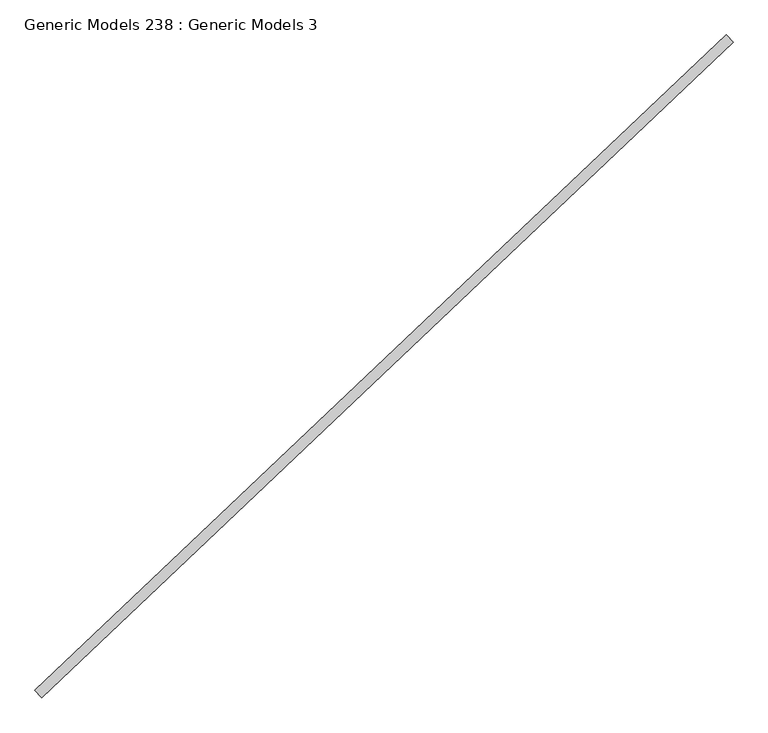
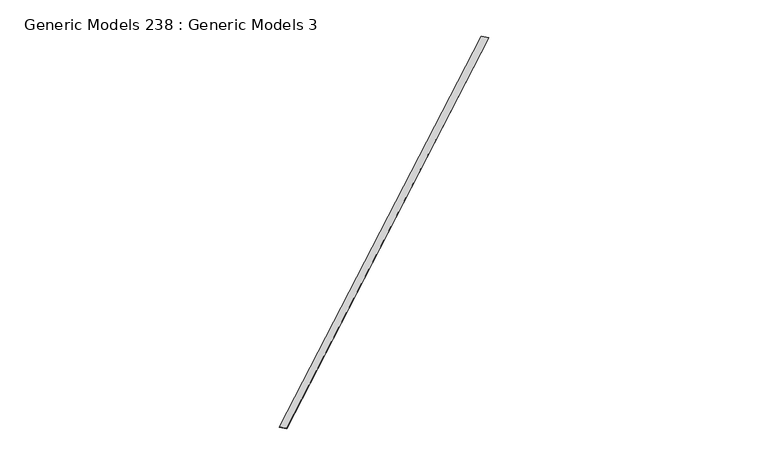
"""IFC4 building model written with IfcOpenShell, lengths in millimetres: proxy geometry, Generic Models 238 : Generic Models 3."""

import ifcopenshell
import ifcopenshell.guid

model = None  # the IFC model being written
_history = None  # IfcOwnerHistory: only IFC2X3 demands one
_inside = {}  # id of a spatial element -> (the spatial element, [elements in it])
_under = {}  # id of a project, library or spatial element -> (it, [spatial elements below it])
_declared = {}  # id of a project -> (the project, [libraries it declares])
_typed = {}  # id of a type object -> (the type object, [elements of that type])
_made_of = {}  # id of a material, layer set ... -> (it, [elements and type objects made of it])


def new_model(schema):
    """Start an empty IFC model of exactly this schema.

    Asked for "IFC4X3", IfcOpenShell would pick the latest addendum, in which some entities
    have other attributes; the version numbers below select the first issue.
    IFC2X3 requires an IfcOwnerHistory on every rooted entity: one is made here for all.
    """
    global model, _history
    if schema == "IFC4X3":
        model = ifcopenshell.file(schema_version=(4, 3, 0, 0))
    else:
        model = ifcopenshell.file(schema=schema)
    _inside.clear()
    _under.clear()
    _declared.clear()
    _typed.clear()
    _made_of.clear()
    _history = None
    if model.schema == "IFC2X3":
        org = make("IfcOrganization", Name="unknown")
        user = make(
            "IfcPersonAndOrganization",
            ThePerson=make("IfcPerson", FamilyName="unknown"),
            TheOrganization=org,
        )
        app = make(
            "IfcApplication",
            ApplicationDeveloper=org,
            Version="unknown",
            ApplicationFullName="unknown",
            ApplicationIdentifier="unknown",
        )
        _history = make(
            "IfcOwnerHistory",
            OwningUser=user,
            OwningApplication=app,
            ChangeAction="ADDED",
            CreationDate=0,
        )
    return model


def make(cls, **values):
    """One entity of the class cls with the attributes given. An attribute that is None is left unset."""
    return model.create_entity(
        cls, **{name: value for name, value in values.items() if value is not None}
    )


def rooted(cls, **values):
    """An entity with a GlobalId (a new one), such as an element, a storey or a relation."""
    return make(cls, GlobalId=ifcopenshell.guid.new(), OwnerHistory=_history, **values)


def si_unit(unit_type, name, prefix=None):
    """IfcSIUnit, for example si_unit("LENGTHUNIT", "METRE", prefix="MILLI")."""
    return make("IfcSIUnit", UnitType=unit_type, Prefix=prefix, Name=name)


def assignment(units):
    """IfcUnitAssignment: the units of a project."""
    return None if units is None else make("IfcUnitAssignment", Units=units)


def point(xyz):
    """IfcCartesianPoint."""
    return None if xyz is None else make("IfcCartesianPoint", Coordinates=xyz)


def direction(xyz):
    """IfcDirection."""
    return None if xyz is None else make("IfcDirection", DirectionRatios=xyz)


def frame(location, z_axis=None, x_axis=None):
    """IfcAxis2Placement3D, a coordinate frame: its origin and axes. An axis left out is left unset."""
    return make(
        "IfcAxis2Placement3D",
        Location=point(location),
        Axis=direction(z_axis),
        RefDirection=direction(x_axis),
    )


def origin():
    """The frame at (0, 0, 0) with its axes left unset."""
    return frame((0.0, 0.0, 0.0))


def place(relative_to, where):
    """IfcLocalPlacement: puts the frame where relative to a parent placement (None: the world)."""
    return make(
        "IfcLocalPlacement", PlacementRelTo=relative_to, RelativePlacement=where
    )


def context(
    kind, dimensions, precision=None, world=None, true_north=None, identifier=None
):
    """IfcGeometricRepresentationContext, for example the 3D "Model" context."""
    return make(
        "IfcGeometricRepresentationContext",
        ContextIdentifier=identifier,
        ContextType=kind,
        CoordinateSpaceDimension=dimensions,
        Precision=precision,
        WorldCoordinateSystem=world,
        TrueNorth=true_north,
    )


def project(units=None, contexts=None):
    """IfcProject with its units and contexts."""
    return rooted(
        "IfcProject",
        Name="project",
        RepresentationContexts=contexts,
        UnitsInContext=assignment(units),
    )


def spatial(cls, under=None, at=None, **own):
    """A site, building, storey or space (cls), placed at a placement, below another one or the project."""
    s = rooted(cls, ObjectPlacement=at, **own)
    if under is not None:
        _under.setdefault(under.id(), (under, []))[1].append(s)
    return s


def polyline(points):
    """IfcPolyline through the points."""
    return make("IfcPolyline", Points=[point(p) for p in points])


def outline(outer, holes=None, kind="AREA"):
    """IfcArbitraryClosedProfileDef: a profile drawn as a closed curve; with holes, ...WithVoids."""
    if holes is None:
        return make("IfcArbitraryClosedProfileDef", ProfileType=kind, OuterCurve=outer)
    return make(
        "IfcArbitraryProfileDefWithVoids",
        ProfileType=kind,
        OuterCurve=outer,
        InnerCurves=holes,
    )


def extrude(swept, where, along, depth):
    """IfcExtrudedAreaSolid: the profile swept, set in the frame where, extruded along a direction by depth."""
    return make(
        "IfcExtrudedAreaSolid",
        SweptArea=swept,
        Position=where,
        ExtrudedDirection=direction(along),
        Depth=depth,
    )


def shape(context_of_items, identifier, shape_type, items):
    """IfcShapeRepresentation: the items that make up one representation, for example the "Body"."""
    return make(
        "IfcShapeRepresentation",
        ContextOfItems=context_of_items,
        RepresentationIdentifier=identifier,
        RepresentationType=shape_type,
        Items=items,
    )


def source(mapping_origin, context_of_items, identifier, shape_type, items):
    """IfcRepresentationMap: a shape defined once, which mapped items show again and again."""
    return make(
        "IfcRepresentationMap",
        MappingOrigin=mapping_origin,
        MappedRepresentation=shape(context_of_items, identifier, shape_type, items),
    )


def transform(
    local_origin,
    x_axis=None,
    y_axis=None,
    z_axis=None,
    scale=None,
    scale2=None,
    scale3=None,
    uniform=True,
):
    """IfcCartesianTransformationOperator3D, or its non-uniform kind. x_axis, y_axis, z_axis: its Axis1, 2, 3."""
    if uniform:
        return make(
            "IfcCartesianTransformationOperator3D",
            Axis1=direction(x_axis),
            Axis2=direction(y_axis),
            LocalOrigin=point(local_origin),
            Scale=scale,
            Axis3=direction(z_axis),
        )
    return make(
        "IfcCartesianTransformationOperator3DnonUniform",
        Axis1=direction(x_axis),
        Axis2=direction(y_axis),
        LocalOrigin=point(local_origin),
        Scale=scale,
        Axis3=direction(z_axis),
        Scale2=scale2,
        Scale3=scale3,
    )


def mapped(mapping_source, mapping_target):
    """IfcMappedItem: shows the shape of a source again, moved by a transform."""
    return make(
        "IfcMappedItem", MappingSource=mapping_source, MappingTarget=mapping_target
    )


def made_of(thing, what):
    """Note that an element or type object is made of a material, layer set ...; save() writes the relation."""
    if what is not None:
        _made_of.setdefault(what.id(), (what, []))[1].append(thing)
    return thing


def element(
    cls,
    number,
    at=None,
    inside=None,
    cuts=None,
    type_object=None,
    material=None,
    context=None,
    identifier="Body",
    shape_type=None,
    held_by="IfcProductDefinitionShape",
    body=None,
    shapes=None,
    **own,
):
    """One element of the class cls, such as IfcWall. Its Tag is "e" and its number.

    at: its placement. inside: the storey or other place that contains it. cuts: it is an
    opening in that element (IfcRelVoidsElement). A single representation is given by context,
    identifier, shape_type and body (its items); several are given by shapes. held_by: the class
    of the entity that holds the representations. save() writes the other relations.
    """
    e = rooted(cls, Tag="e%d" % number, ObjectPlacement=at, **own)
    if body is not None:
        shapes = [shape(context, identifier, shape_type, body)]
    if shapes is not None:
        e.Representation = make(held_by, Representations=shapes)
    if inside is not None:
        _inside.setdefault(inside.id(), (inside, []))[1].append(e)
    if cuts is not None:
        rooted(
            "IfcRelVoidsElement", RelatingBuildingElement=cuts, RelatedOpeningElement=e
        )
    if type_object is not None:
        _typed.setdefault(type_object.id(), (type_object, []))[1].append(e)
    return made_of(e, material)


def aggregate(whole, parts):
    """IfcRelAggregates: a whole, such as a stair, and the parts it consists of."""
    return rooted("IfcRelAggregates", RelatingObject=whole, RelatedObjects=parts)


def save(model, path):
    """Write the relations noted so far, then the file.

    IfcRelAggregates (storeys below a building ...), IfcRelContainedInSpatialStructure (elements
    in a storey), IfcRelDefinesByType, IfcRelAssociatesMaterial and IfcRelDeclares: one each for
    every whole, place, type object, material and project.
    """
    for whole, parts in _under.values():
        aggregate(whole, parts)
    for where, things in _inside.values():
        rooted(
            "IfcRelContainedInSpatialStructure",
            RelatedElements=things,
            RelatingStructure=where,
        )
    for kind, things in _typed.values():
        rooted("IfcRelDefinesByType", RelatedObjects=things, RelatingType=kind)
    for what, things in _made_of.values():
        rooted("IfcRelAssociatesMaterial", RelatedObjects=things, RelatingMaterial=what)
    for by, libraries in _declared.values():
        rooted("IfcRelDeclares", RelatingContext=by, RelatedDefinitions=libraries)
    model.write(path)


def generic_models_238_generic_models_3_db5c4f58(model_context):
    return source(origin(), model_context, "Body", "SweptSolid", [
        extrude(outline(polyline([(109781.9317656, 47484.1032048), (109848.8015247, 47413.6371816), (103146.8863674, 41053.7571681), (103080.0166082, 41124.2231913), (109781.9317656, 47484.1032048)])), frame((0.0, 0.0, 18015.2505588), z_axis=(0.0, 0.0, 1.0), x_axis=(1.0, 0.0, 0.0)), (0.0, 0.0, 1.0), 1.5875),
    ])


if __name__ == "__main__":
    model = new_model("IFC4")
    model_context = context("Model", 3, world=origin())
    ifc_project = project(units=[si_unit("LENGTHUNIT", "METRE", prefix="MILLI")], contexts=[model_context])
    site = spatial("IfcSite", under=ifc_project)
    building = spatial("IfcBuilding", under=site)
    placement = place(None, origin())
    generic_models_238_generic_models_3_shape = generic_models_238_generic_models_3_db5c4f58(model_context)
    element("IfcBuildingElementProxy", 1, Name="Generic Models 238 : Generic Models 3", ObjectType="Generic Models 238 : Generic Models 3", at=placement, inside=building, context=model_context, shape_type="MappedRepresentation", body=[
        mapped(generic_models_238_generic_models_3_shape, transform((0.0, 0.0, 0.0), x_axis=(1.0, 0.0, 0.0), y_axis=(0.0, 1.0, 0.0), z_axis=(0.0, 0.0, 1.0))),
    ])
    save(model, "model.ifc")
